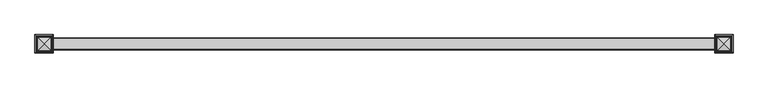
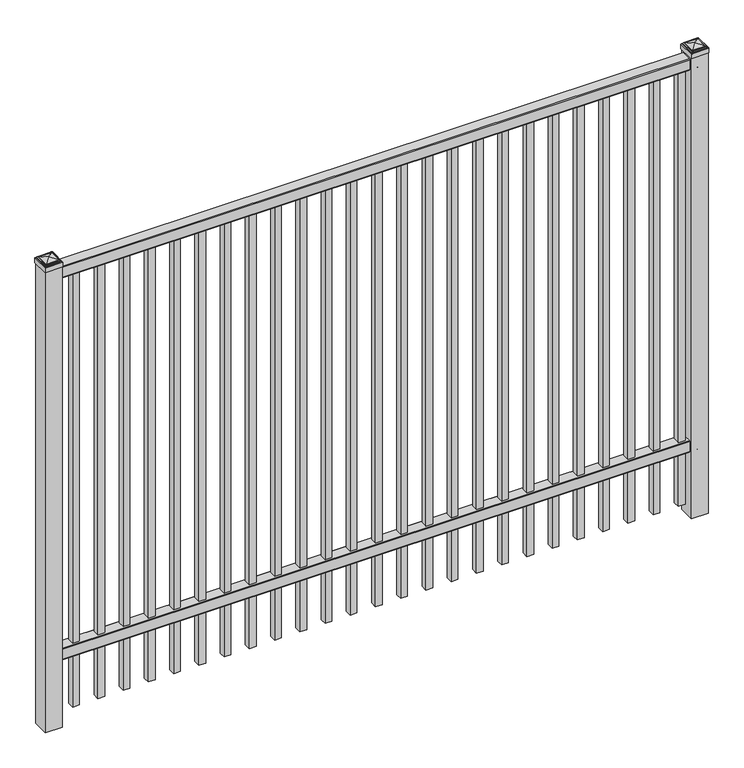
"""IFC4 building model written with IfcOpenShell, lengths in millimetres: railing geometry."""

from ifc_helpers import new_model, si_unit, point, frame, frame_2d, origin, origin_with_axes, place, context, project, spatial, polyline, circle_curve, ellipse_curve, trimmed, segment, composite_curve, outline, extrude, source, transform, mapped, element, save
from ifc_brep_helpers import plane_surface, cylinder_surface, advanced_brep


def railing_6af04cbe(model_context):
    return source(origin(), model_context, "Body", "SolidModel", [
        extrude(outline(composite_curve([segment(polyline([(10349.9139761, 304.8), (10387.969541, 304.8)]), True, "CONTINUOUS"), segment(trimmed(circle_curve(frame_2d((10387.969541, 301.625)), 3.175), [point((10387.969541, 304.8))], [point((10391.144541, 301.625))], False, "CARTESIAN"), True, "CONTINUOUS"), segment(polyline([(10391.144541, 301.625), (10391.144541, 262.1439893)]), True, "CONTINUOUS"), segment(trimmed(circle_curve(frame_2d((10389.3505518, 262.1439893)), 1.7939893), [point((10391.144541, 262.1439893))], [point((10389.3505518, 260.35))], False, "CARTESIAN"), True, "CONTINUOUS"), segment(polyline([(10389.3505518, 260.35), (10386.7590713, 260.35)]), True, "CONTINUOUS"), segment(trimmed(circle_curve(frame_2d((10386.7590713, 262.1359375)), 1.7859375), [point((10386.7590713, 260.35))], [point((10384.9755813, 262.0424688))], False, "CARTESIAN"), True, "CONTINUOUS"), segment(polyline([(10384.9755813, 262.0424688), (10383.4025867, 292.0569942), (10354.4364954, 292.0569942), (10352.8635007, 262.0424688)]), True, "CONTINUOUS"), segment(trimmed(circle_curve(frame_2d((10351.0800108, 262.1359375)), 1.7859375), [point((10352.8635007, 262.0424688))], [point((10351.0800108, 260.35))], False, "CARTESIAN"), True, "CONTINUOUS"), segment(polyline([(10351.0800108, 260.35), (10348.4804785, 260.35)]), True, "CONTINUOUS"), segment(trimmed(circle_curve(frame_2d((10348.4804785, 262.1359375)), 1.7859375), [point((10348.4804785, 260.35))], [point((10346.694541, 262.1359375))], False, "CARTESIAN"), True, "CONTINUOUS"), segment(polyline([(10346.694541, 262.1359375), (10346.694541, 301.5805649)]), True, "CONTINUOUS"), segment(trimmed(circle_curve(frame_2d((10349.9139761, 301.5805649)), 3.2194351), [point((10346.694541, 301.5805649))], [point((10349.9139761, 304.8))], False, "CARTESIAN"), True, "CONTINUOUS")], self_intersect=False)), frame((-15337.0649936, 0.0, 0.0), z_axis=(1.0, 0.0, 0.0), x_axis=(0.0, 1.0, 0.0)), (0.0, 0.0, 1.0), 2438.4),
        extrude(outline(composite_curve([segment(polyline([(10349.9139761, 1828.8), (10387.969541, 1828.8)]), True, "CONTINUOUS"), segment(trimmed(circle_curve(frame_2d((10387.969541, 1825.625)), 3.175), [point((10387.969541, 1828.8))], [point((10391.144541, 1825.625))], False, "CARTESIAN"), True, "CONTINUOUS"), segment(polyline([(10391.144541, 1825.625), (10391.144541, 1786.1439893)]), True, "CONTINUOUS"), segment(trimmed(circle_curve(frame_2d((10389.3505518, 1786.1439893)), 1.7939893), [point((10391.144541, 1786.1439893))], [point((10389.3505518, 1784.35))], False, "CARTESIAN"), True, "CONTINUOUS"), segment(polyline([(10389.3505518, 1784.35), (10386.7590713, 1784.35)]), True, "CONTINUOUS"), segment(trimmed(circle_curve(frame_2d((10386.7590713, 1786.1359375)), 1.7859375), [point((10386.7590713, 1784.35))], [point((10384.9755813, 1786.0424688))], False, "CARTESIAN"), True, "CONTINUOUS"), segment(polyline([(10384.9755813, 1786.0424688), (10383.4025867, 1816.0569942), (10354.4364954, 1816.0569942), (10352.8635007, 1786.0424688)]), True, "CONTINUOUS"), segment(trimmed(circle_curve(frame_2d((10351.0800108, 1786.1359375)), 1.7859375), [point((10352.8635007, 1786.0424688))], [point((10351.0800108, 1784.35))], False, "CARTESIAN"), True, "CONTINUOUS"), segment(polyline([(10351.0800108, 1784.35), (10348.4804785, 1784.35)]), True, "CONTINUOUS"), segment(trimmed(circle_curve(frame_2d((10348.4804785, 1786.1359375)), 1.7859375), [point((10348.4804785, 1784.35))], [point((10346.694541, 1786.1359375))], False, "CARTESIAN"), True, "CONTINUOUS"), segment(polyline([(10346.694541, 1786.1359375), (10346.694541, 1825.5805649)]), True, "CONTINUOUS"), segment(trimmed(circle_curve(frame_2d((10349.9139761, 1825.5805649)), 3.2194351), [point((10346.694541, 1825.5805649))], [point((10349.9139761, 1828.8))], False, "CARTESIAN"), True, "CONTINUOUS")], self_intersect=False)), frame((-15337.0649936, 0.0, 0.0), z_axis=(1.0, 0.0, 0.0), x_axis=(0.0, 1.0, 0.0)), (0.0, 0.0, 1.0), 2438.4),
        extrude(outline(polyline([(0.0, -1733.55), (0.0, 0.0), (25.4, 0.0), (25.4, -1733.55), (0.0, -1733.55)])), frame((-12943.1149864, 10381.619541, 1784.35), z_axis=(-1.0, 0.0, 2.3937232806415307e-09), x_axis=(0.0, -1.0, 0.0)), (0.0, 0.0, 1.0), 25.4),
        extrude(outline(polyline([(0.0, -1733.55), (0.0, 0.0), (25.4, 0.0), (25.4, -1733.55), (0.0, -1733.55)])), frame((-13038.3649864, 10381.619541, 1784.35), z_axis=(-1.0, 0.0, 2.3937232806415307e-09), x_axis=(0.0, -1.0, 0.0)), (0.0, 0.0, 1.0), 25.4),
        extrude(outline(polyline([(0.0, -1733.55), (0.0, 0.0), (25.4, 0.0), (25.4, -1733.55), (0.0, -1733.55)])), frame((-13133.6149864, 10381.619541, 1784.35), z_axis=(-1.0, 0.0, 2.3937232806415307e-09), x_axis=(0.0, -1.0, 0.0)), (0.0, 0.0, 1.0), 25.4),
        extrude(outline(polyline([(0.0, -1733.55), (0.0, 0.0), (25.4, 0.0), (25.4, -1733.55), (0.0, -1733.55)])), frame((-13228.8649864, 10381.619541, 1784.35), z_axis=(-1.0, 0.0, 2.3937232806415307e-09), x_axis=(0.0, -1.0, 0.0)), (0.0, 0.0, 1.0), 25.4),
        extrude(outline(polyline([(0.0, -1733.55), (0.0, 0.0), (25.4, 0.0), (25.4, -1733.55), (0.0, -1733.55)])), frame((-13324.1149864, 10381.619541, 1784.35), z_axis=(-1.0, 0.0, 2.3937232806415307e-09), x_axis=(0.0, -1.0, 0.0)), (0.0, 0.0, 1.0), 25.4),
        extrude(outline(polyline([(0.0, -1733.55), (0.0, 0.0), (25.4, 0.0), (25.4, -1733.55), (0.0, -1733.55)])), frame((-13419.3649864, 10381.619541, 1784.35), z_axis=(-1.0, 0.0, 2.3937232806415307e-09), x_axis=(0.0, -1.0, 0.0)), (0.0, 0.0, 1.0), 25.4),
        extrude(outline(polyline([(0.0, -1733.55), (0.0, 0.0), (25.4, 0.0), (25.4, -1733.55), (0.0, -1733.55)])), frame((-13514.6149864, 10381.619541, 1784.35), z_axis=(-1.0, 0.0, 2.3937232806415307e-09), x_axis=(0.0, -1.0, 0.0)), (0.0, 0.0, 1.0), 25.4),
        extrude(outline(polyline([(0.0, -1733.55), (0.0, 0.0), (25.4, 0.0), (25.4, -1733.55), (0.0, -1733.55)])), frame((-13609.8649864, 10381.619541, 1784.35), z_axis=(-1.0, 0.0, 2.3937232806415307e-09), x_axis=(0.0, -1.0, 0.0)), (0.0, 0.0, 1.0), 25.4),
        extrude(outline(polyline([(0.0, -1733.55), (0.0, 0.0), (25.4, 0.0), (25.4, -1733.55), (0.0, -1733.55)])), frame((-13705.1149864, 10381.619541, 1784.35), z_axis=(-1.0, 0.0, 2.3937232806415307e-09), x_axis=(0.0, -1.0, 0.0)), (0.0, 0.0, 1.0), 25.4),
        extrude(outline(polyline([(0.0, -1733.55), (0.0, 0.0), (25.4, 0.0), (25.4, -1733.55), (0.0, -1733.55)])), frame((-13800.3649864, 10381.619541, 1784.35), z_axis=(-1.0, 0.0, 2.3937232806415307e-09), x_axis=(0.0, -1.0, 0.0)), (0.0, 0.0, 1.0), 25.4),
        extrude(outline(polyline([(0.0, -1733.55), (0.0, 0.0), (25.4, 0.0), (25.4, -1733.55), (0.0, -1733.55)])), frame((-13895.6149864, 10381.619541, 1784.35), z_axis=(-1.0, 0.0, 2.3937232806415307e-09), x_axis=(0.0, -1.0, 0.0)), (0.0, 0.0, 1.0), 25.4),
        extrude(outline(polyline([(0.0, -1733.55), (0.0, 0.0), (25.4, 0.0), (25.4, -1733.55), (0.0, -1733.55)])), frame((-13990.8649864, 10381.619541, 1784.35), z_axis=(-1.0, 0.0, 2.3937232806415307e-09), x_axis=(0.0, -1.0, 0.0)), (0.0, 0.0, 1.0), 25.4),
        extrude(outline(polyline([(0.0, -1733.55), (0.0, 0.0), (25.4, 0.0), (25.4, -1733.55), (0.0, -1733.55)])), frame((-14086.1149864, 10381.619541, 1784.35), z_axis=(-1.0, 0.0, 2.3937232806415307e-09), x_axis=(0.0, -1.0, 0.0)), (0.0, 0.0, 1.0), 25.4),
        extrude(outline(polyline([(0.0, -1733.55), (0.0, 0.0), (25.4, 0.0), (25.4, -1733.55), (0.0, -1733.55)])), frame((-14181.3649864, 10381.619541, 1784.35), z_axis=(-1.0, 0.0, 2.3937232806415307e-09), x_axis=(0.0, -1.0, 0.0)), (0.0, 0.0, 1.0), 25.4),
        extrude(outline(polyline([(0.0, -1733.55), (0.0, 0.0), (25.4, 0.0), (25.4, -1733.55), (0.0, -1733.55)])), frame((-14276.6149864, 10381.619541, 1784.35), z_axis=(-1.0, 0.0, 2.3937232806415307e-09), x_axis=(0.0, -1.0, 0.0)), (0.0, 0.0, 1.0), 25.4),
        extrude(outline(polyline([(0.0, -1733.55), (0.0, 0.0), (25.4, 0.0), (25.4, -1733.55), (0.0, -1733.55)])), frame((-14371.8649864, 10381.619541, 1784.35), z_axis=(-1.0, 0.0, 2.3937232806415307e-09), x_axis=(0.0, -1.0, 0.0)), (0.0, 0.0, 1.0), 25.4),
        extrude(outline(polyline([(0.0, -1733.55), (0.0, 0.0), (25.4, 0.0), (25.4, -1733.55), (0.0, -1733.55)])), frame((-14467.1149864, 10381.619541, 1784.35), z_axis=(-1.0, 0.0, 2.3937232806415307e-09), x_axis=(0.0, -1.0, 0.0)), (0.0, 0.0, 1.0), 25.4),
        extrude(outline(polyline([(0.0, -1733.55), (0.0, 0.0), (25.4, 0.0), (25.4, -1733.55), (0.0, -1733.55)])), frame((-14562.3649864, 10381.619541, 1784.35), z_axis=(-1.0, 0.0, 2.3937232806415307e-09), x_axis=(0.0, -1.0, 0.0)), (0.0, 0.0, 1.0), 25.4),
        extrude(outline(polyline([(0.0, -1733.55), (0.0, 0.0), (25.4, 0.0), (25.4, -1733.55), (0.0, -1733.55)])), frame((-14657.6149864, 10381.619541, 1784.35), z_axis=(-1.0, 0.0, 2.3937232806415307e-09), x_axis=(0.0, -1.0, 0.0)), (0.0, 0.0, 1.0), 25.4),
        extrude(outline(polyline([(0.0, -1733.55), (0.0, 0.0), (25.4, 0.0), (25.4, -1733.55), (0.0, -1733.55)])), frame((-14752.8649864, 10381.619541, 1784.35), z_axis=(-1.0, 0.0, 2.3937232806415307e-09), x_axis=(0.0, -1.0, 0.0)), (0.0, 0.0, 1.0), 25.4),
        extrude(outline(polyline([(0.0, -1733.55), (0.0, 0.0), (25.4, 0.0), (25.4, -1733.55), (0.0, -1733.55)])), frame((-14848.1149864, 10381.619541, 1784.35), z_axis=(-1.0, 0.0, 2.3937232806415307e-09), x_axis=(0.0, -1.0, 0.0)), (0.0, 0.0, 1.0), 25.4),
        extrude(outline(polyline([(0.0, -1733.55), (0.0, 0.0), (25.4, 0.0), (25.4, -1733.55), (0.0, -1733.55)])), frame((-14943.3649864, 10381.619541, 1784.35), z_axis=(-1.0, 0.0, 2.3937232806415307e-09), x_axis=(0.0, -1.0, 0.0)), (0.0, 0.0, 1.0), 25.4),
        extrude(outline(polyline([(0.0, -1733.55), (0.0, 0.0), (25.4, 0.0), (25.4, -1733.55), (0.0, -1733.55)])), frame((-15038.6149864, 10381.619541, 1784.35), z_axis=(-1.0, 0.0, 2.3937232806415307e-09), x_axis=(0.0, -1.0, 0.0)), (0.0, 0.0, 1.0), 25.4),
        extrude(outline(polyline([(0.0, -1733.55), (0.0, 0.0), (25.4, 0.0), (25.4, -1733.55), (0.0, -1733.55)])), frame((-15133.8649864, 10381.619541, 1784.35), z_axis=(-1.0, 0.0, 2.3937232806415307e-09), x_axis=(0.0, -1.0, 0.0)), (0.0, 0.0, 1.0), 25.4),
        extrude(outline(polyline([(0.0, -1733.55), (0.0, 0.0), (25.4, 0.0), (25.4, -1733.55), (0.0, -1733.55)])), frame((-15229.1149864, 10381.619541, 1784.35), z_axis=(-1.0, 0.0, 2.3937232806415307e-09), x_axis=(0.0, -1.0, 0.0)), (0.0, 0.0, 1.0), 25.4),
        extrude(outline(polyline([(-12866.9149936, 10400.669541), (-12866.9149936, 10337.169541), (-12930.4149936, 10337.169541), (-12930.4149936, 10400.669541), (-12866.9149936, 10400.669541)])), origin_with_axes(), (0.0, 0.0, 1.0), 1836.7375),
        advanced_brep(
        [(-12932.0024936, 10402.257041, 1854.99375), (-12932.0024936, 10402.257041, 1836.7375), (-12932.0024936, 10335.582041, 1836.7375), (-12932.0024936, 10335.582041, 1854.99375), (-12929.6212436, 10399.875791, 1857.375), (-12929.6212436, 10337.963291, 1857.375), (-12927.2399936, 10397.494541, 1859.75625), (-12927.2399936, 10397.494541, 1857.375), (-12927.2399936, 10340.344541, 1857.375), (-12927.2399936, 10340.344541, 1859.75625), (-12924.8587436, 10395.113291, 1862.1375), (-12924.8587436, 10342.725791, 1862.1375), (-12898.6649936, 10368.919541, 1868.4875), (-12922.4774936, 10392.732041, 1862.1375), (-12922.4774936, 10345.107041, 1862.1375), (-12865.3274936, 10335.582041, 1836.7375), (-12865.3274936, 10335.582041, 1854.99375), (-12867.7087436, 10337.963291, 1857.375), (-12870.0899936, 10340.344541, 1857.375), (-12870.0899936, 10340.344541, 1859.75625), (-12872.4712436, 10342.725791, 1862.1375), (-12874.8524936, 10345.107041, 1862.1375), (-12865.3274936, 10402.257041, 1836.7375), (-12865.3274936, 10402.257041, 1854.99375), (-12867.7087436, 10399.875791, 1857.375), (-12870.0899936, 10397.494541, 1857.375), (-12870.0899936, 10397.494541, 1859.75625), (-12872.4712436, 10395.113291, 1862.1375), (-12874.8524936, 10392.732041, 1862.1375)],
        [
            (0, 1),
            (1, 2),
            (2, 3),
            (3, 0),
            (4, 0, ellipse_curve(frame((-12929.6212436, 10399.875791, 1854.99375), z_axis=(-0.70710678118655, -0.7071067811865449, 0.0), x_axis=(-0.7071067811865448, 0.7071067811865501, 0.0)), 3.367596, 2.38125)),
            (3, 5, ellipse_curve(frame((-12929.6212436, 10337.963291, 1854.99375), z_axis=(-0.7071067811865449, 0.70710678118655, 0.0), x_axis=(0.7071067811865499, 0.707106781186545, 0.0)), 3.367596, 2.38125)),
            (5, 4),
            (6, 7),
            (7, 8),
            (8, 9),
            (9, 6),
            (10, 6, ellipse_curve(frame((-12924.8587436, 10395.113291, 1859.75625), z_axis=(-0.70710678118655, -0.7071067811865449, 0.0), x_axis=(-0.7071067811865448, 0.7071067811865501, 0.0)), 3.367596, 2.38125)),
            (9, 11, ellipse_curve(frame((-12924.8587436, 10342.725791, 1859.75625), z_axis=(-0.7071067811865449, 0.70710678118655, 0.0), x_axis=(0.7071067811865499, 0.707106781186545, 0.0)), 3.367596, 2.38125)),
            (11, 10),
            (12, 13, ellipse_curve(frame((-12898.6649936, 10368.919541, 1820.6640625), z_axis=(-0.70710678118655, -0.7071067811865449, 0.0), x_axis=(-0.7071067811865448, 0.7071067811865501, 0.0)), 67.6325539, 47.8234375)),
            (13, 14),
            (14, 12, ellipse_curve(frame((-12898.6649936, 10368.919541, 1820.6640625), z_axis=(-0.7071067811865449, 0.70710678118655, 0.0), x_axis=(0.7071067811865499, 0.707106781186545, 0.0)), 67.6325539, 47.8234375)),
            (2, 15),
            (15, 16),
            (16, 3),
            (16, 17, ellipse_curve(frame((-12867.7087436, 10337.963291, 1854.99375), z_axis=(-0.70710678118655, -0.707106781186545, 0.0), x_axis=(-0.707106781186545, 0.70710678118655, 0.0)), 3.367596, 2.38125)),
            (17, 5),
            (8, 18),
            (18, 19),
            (19, 9),
            (19, 20, ellipse_curve(frame((-12872.4712436, 10342.725791, 1859.75625), z_axis=(-0.70710678118655, -0.707106781186545, 0.0), x_axis=(-0.707106781186545, 0.70710678118655, 0.0)), 3.367596, 2.38125)),
            (20, 11),
            (14, 21),
            (21, 12, ellipse_curve(frame((-12898.6649936, 10368.919541, 1820.6640625), z_axis=(-0.70710678118655, -0.707106781186545, 0.0), x_axis=(-0.707106781186545, 0.70710678118655, 0.0)), 67.6325539, 47.8234375)),
            (15, 22),
            (22, 23),
            (23, 16),
            (23, 24, ellipse_curve(frame((-12867.7087436, 10399.875791, 1854.99375), z_axis=(0.707106781186545, -0.7071067811865499, 0.0), x_axis=(-0.7071067811865497, -0.7071067811865452, 0.0)), 3.367596, 2.38125)),
            (24, 17),
            (18, 25),
            (25, 26),
            (26, 19),
            (26, 27, ellipse_curve(frame((-12872.4712436, 10395.113291, 1859.75625), z_axis=(0.707106781186545, -0.7071067811865499, 0.0), x_axis=(-0.7071067811865497, -0.7071067811865452, 0.0)), 3.367596, 2.38125)),
            (27, 20),
            (21, 28),
            (28, 12, ellipse_curve(frame((-12898.6649936, 10368.919541, 1820.6640625), z_axis=(0.707106781186545, -0.7071067811865499, 0.0), x_axis=(-0.7071067811865497, -0.7071067811865452, 0.0)), 67.6325539, 47.8234375)),
            (22, 1),
            (0, 23),
            (4, 24),
            (7, 25),
            (6, 26),
            (10, 27),
            (13, 28),
        ],
        [
            plane_surface(frame((-12932.0024936, 10402.257041, 1836.7375), z_axis=(-1.0, 0.0, 0.0), x_axis=(0.0, -1.0, 0.0))),
            cylinder_surface(frame((-12929.6212436, 10400.669541, 1854.99375), z_axis=(0.0, 1.0, 0.0), x_axis=(1.0, 0.0, 0.0)), 2.38125),
            plane_surface(frame((-12927.2399936, 10397.494541, 1857.375), z_axis=(-1.0, 0.0, 0.0), x_axis=(0.0, -1.0, 0.0))),
            cylinder_surface(frame((-12924.8587436, 10400.669541, 1859.75625), z_axis=(0.0, 1.0, 0.0), x_axis=(1.0, 0.0, 0.0)), 2.38125),
            cylinder_surface(frame((-12898.6649936, 10400.669541, 1820.6640625), z_axis=(0.0, 1.0, 0.0), x_axis=(1.0, 0.0, 0.0)), 47.8234375),
            plane_surface(frame((-12932.0024936, 10335.582041, 1836.7375), z_axis=(0.0, -1.0, 0.0), x_axis=(1.0, 0.0, 0.0))),
            cylinder_surface(frame((-12930.4149936, 10337.963291, 1854.99375), z_axis=(-1.0, 0.0, 0.0), x_axis=(0.0, 1.0, 0.0)), 2.38125),
            plane_surface(frame((-12927.2399936, 10340.344541, 1857.375), z_axis=(0.0, -1.0, 0.0), x_axis=(1.0, 0.0, 0.0))),
            cylinder_surface(frame((-12930.4149936, 10342.725791, 1859.75625), z_axis=(-1.0, 0.0, 0.0), x_axis=(0.0, 1.0, 0.0)), 2.38125),
            cylinder_surface(frame((-12930.4149936, 10368.919541, 1820.6640625), z_axis=(-1.0, 0.0, 0.0), x_axis=(0.0, 1.0, 0.0)), 47.8234375),
            plane_surface(frame((-12865.3274936, 10335.582041, 1836.7375), z_axis=(1.0, 0.0, 0.0), x_axis=(0.0, 1.0, 0.0))),
            cylinder_surface(frame((-12867.7087436, 10337.169541, 1854.99375), z_axis=(0.0, -1.0, 0.0), x_axis=(-1.0, 0.0, 0.0)), 2.38125),
            plane_surface(frame((-12870.0899936, 10340.344541, 1857.375), z_axis=(1.0, 0.0, 0.0), x_axis=(0.0, 1.0, 0.0))),
            cylinder_surface(frame((-12872.4712436, 10337.169541, 1859.75625), z_axis=(0.0, -1.0, 0.0), x_axis=(-1.0, 0.0, 0.0)), 2.38125),
            cylinder_surface(frame((-12898.6649936, 10337.169541, 1820.6640625), z_axis=(0.0, -1.0, 0.0), x_axis=(-1.0, 0.0, 0.0)), 47.8234375),
            plane_surface(frame((-12865.3274936, 10402.257041, 1836.7375), z_axis=(0.0, 1.0, 0.0), x_axis=(-1.0, 0.0, 0.0))),
            cylinder_surface(frame((-12866.9149936, 10399.875791, 1854.99375), z_axis=(1.0, 0.0, 0.0), x_axis=(0.0, -1.0, 0.0)), 2.38125),
            plane_surface(frame((-12867.7087436, 10399.875791, 1857.375), z_axis=(0.0, 0.0, 1.0), x_axis=(-1.0, 0.0, 0.0))),
            plane_surface(frame((-12870.0899936, 10397.494541, 1857.375), z_axis=(0.0, 1.0, 0.0), x_axis=(-1.0, 0.0, 0.0))),
            cylinder_surface(frame((-12866.9149936, 10395.113291, 1859.75625), z_axis=(1.0, 0.0, 0.0), x_axis=(0.0, -1.0, 0.0)), 2.38125),
            plane_surface(frame((-12872.4712436, 10395.113291, 1862.1375), z_axis=(0.0, 0.0, 1.0), x_axis=(-1.0, 0.0, 0.0))),
            cylinder_surface(frame((-12866.9149936, 10368.919541, 1820.6640625), z_axis=(1.0, 0.0, 0.0), x_axis=(0.0, -1.0, 0.0)), 47.8234375),
            plane_surface(frame((-12898.6649936, 10368.919541, 1836.7375), z_axis=(0.0, 0.0, -1.0), x_axis=(-1.0, 0.0, 0.0))),
        ],
        [
            (0, [[1, 2, 3, 4]]),
            (1, [[5, -4, 6, 7]]),
            (2, [[8, 9, 10, 11]]),
            (3, [[12, -11, 13, 14]]),
            (4, [[15, 16, 17]]),
            (5, [[-3, 18, 19, 20]]),
            (6, [[-6, -20, 21, 22]]),
            (7, [[-10, 23, 24, 25]]),
            (8, [[-13, -25, 26, 27]]),
            (9, [[-17, 28, 29]]),
            (10, [[-19, 30, 31, 32]]),
            (11, [[-21, -32, 33, 34]]),
            (12, [[-24, 35, 36, 37]]),
            (13, [[-26, -37, 38, 39]]),
            (14, [[-29, 40, 41]]),
            (15, [[-31, 42, -1, 43]]),
            (16, [[-33, -43, -5, 44]]),
            (17, [[-22, -34, -44, -7], [45, -35, -23, -9]]),
            (18, [[-36, -45, -8, 46]]),
            (19, [[-38, -46, -12, 47]]),
            (20, [[-27, -39, -47, -14], [48, -40, -28, -16]]),
            (21, [[-41, -48, -15]]),
            (22, [[-42, -30, -18, -2]]),
        ],
    ),
        extrude(outline(polyline([(-15305.3149936, 10400.669541), (-15305.3149936, 10337.169541), (-15368.8149936, 10337.169541), (-15368.8149936, 10400.669541), (-15305.3149936, 10400.669541)])), origin_with_axes(), (0.0, 0.0, 1.0), 1836.7375),
        advanced_brep(
        [(-15370.4024936, 10402.257041, 1854.99375), (-15370.4024936, 10402.257041, 1836.7375), (-15370.4024936, 10335.582041, 1836.7375), (-15370.4024936, 10335.582041, 1854.99375), (-15368.0212436, 10399.875791, 1857.375), (-15368.0212436, 10337.963291, 1857.375), (-15365.6399936, 10397.494541, 1859.75625), (-15365.6399936, 10397.494541, 1857.375), (-15365.6399936, 10340.344541, 1857.375), (-15365.6399936, 10340.344541, 1859.75625), (-15363.2587436, 10395.113291, 1862.1375), (-15363.2587436, 10342.725791, 1862.1375), (-15337.0649936, 10368.919541, 1868.4875), (-15360.8774936, 10392.732041, 1862.1375), (-15360.8774936, 10345.107041, 1862.1375), (-15303.7274936, 10335.582041, 1836.7375), (-15303.7274936, 10335.582041, 1854.99375), (-15306.1087436, 10337.963291, 1857.375), (-15308.4899936, 10340.344541, 1857.375), (-15308.4899936, 10340.344541, 1859.75625), (-15310.8712436, 10342.725791, 1862.1375), (-15313.2524936, 10345.107041, 1862.1375), (-15303.7274936, 10402.257041, 1836.7375), (-15303.7274936, 10402.257041, 1854.99375), (-15306.1087436, 10399.875791, 1857.375), (-15308.4899936, 10397.494541, 1857.375), (-15308.4899936, 10397.494541, 1859.75625), (-15310.8712436, 10395.113291, 1862.1375), (-15313.2524936, 10392.732041, 1862.1375)],
        [
            (0, 1),
            (1, 2),
            (2, 3),
            (3, 0),
            (4, 0, ellipse_curve(frame((-15368.0212436, 10399.875791, 1854.99375), z_axis=(-0.70710678118655, -0.7071067811865449, 0.0), x_axis=(-0.7071067811865448, 0.7071067811865501, 0.0)), 3.367596, 2.38125)),
            (3, 5, ellipse_curve(frame((-15368.0212436, 10337.963291, 1854.99375), z_axis=(-0.7071067811865449, 0.70710678118655, 0.0), x_axis=(0.7071067811865499, 0.707106781186545, 0.0)), 3.367596, 2.38125)),
            (5, 4),
            (6, 7),
            (7, 8),
            (8, 9),
            (9, 6),
            (10, 6, ellipse_curve(frame((-15363.2587436, 10395.113291, 1859.75625), z_axis=(-0.70710678118655, -0.7071067811865449, 0.0), x_axis=(-0.7071067811865448, 0.7071067811865501, 0.0)), 3.367596, 2.38125)),
            (9, 11, ellipse_curve(frame((-15363.2587436, 10342.725791, 1859.75625), z_axis=(-0.7071067811865449, 0.70710678118655, 0.0), x_axis=(0.7071067811865499, 0.707106781186545, 0.0)), 3.367596, 2.38125)),
            (11, 10),
            (12, 13, ellipse_curve(frame((-15337.0649936, 10368.919541, 1820.6640625), z_axis=(-0.70710678118655, -0.7071067811865449, 0.0), x_axis=(-0.7071067811865448, 0.7071067811865501, 0.0)), 67.6325539, 47.8234375)),
            (13, 14),
            (14, 12, ellipse_curve(frame((-15337.0649936, 10368.919541, 1820.6640625), z_axis=(-0.7071067811865449, 0.70710678118655, 0.0), x_axis=(0.7071067811865499, 0.707106781186545, 0.0)), 67.6325539, 47.8234375)),
            (2, 15),
            (15, 16),
            (16, 3),
            (16, 17, ellipse_curve(frame((-15306.1087436, 10337.963291, 1854.99375), z_axis=(-0.70710678118655, -0.707106781186545, 0.0), x_axis=(-0.707106781186545, 0.70710678118655, 0.0)), 3.367596, 2.38125)),
            (17, 5),
            (8, 18),
            (18, 19),
            (19, 9),
            (19, 20, ellipse_curve(frame((-15310.8712436, 10342.725791, 1859.75625), z_axis=(-0.70710678118655, -0.707106781186545, 0.0), x_axis=(-0.707106781186545, 0.70710678118655, 0.0)), 3.367596, 2.38125)),
            (20, 11),
            (14, 21),
            (21, 12, ellipse_curve(frame((-15337.0649936, 10368.919541, 1820.6640625), z_axis=(-0.70710678118655, -0.707106781186545, 0.0), x_axis=(-0.707106781186545, 0.70710678118655, 0.0)), 67.6325539, 47.8234375)),
            (15, 22),
            (22, 23),
            (23, 16),
            (23, 24, ellipse_curve(frame((-15306.1087436, 10399.875791, 1854.99375), z_axis=(0.707106781186545, -0.7071067811865499, 0.0), x_axis=(-0.7071067811865497, -0.7071067811865452, 0.0)), 3.367596, 2.38125)),
            (24, 17),
            (18, 25),
            (25, 26),
            (26, 19),
            (26, 27, ellipse_curve(frame((-15310.8712436, 10395.113291, 1859.75625), z_axis=(0.707106781186545, -0.7071067811865499, 0.0), x_axis=(-0.7071067811865497, -0.7071067811865452, 0.0)), 3.367596, 2.38125)),
            (27, 20),
            (21, 28),
            (28, 12, ellipse_curve(frame((-15337.0649936, 10368.919541, 1820.6640625), z_axis=(0.707106781186545, -0.7071067811865499, 0.0), x_axis=(-0.7071067811865497, -0.7071067811865452, 0.0)), 67.6325539, 47.8234375)),
            (22, 1),
            (0, 23),
            (4, 24),
            (7, 25),
            (6, 26),
            (10, 27),
            (13, 28),
        ],
        [
            plane_surface(frame((-15370.4024936, 10402.257041, 1836.7375), z_axis=(-1.0, 0.0, 0.0), x_axis=(0.0, -1.0, 0.0))),
            cylinder_surface(frame((-15368.0212436, 10400.669541, 1854.99375), z_axis=(0.0, 1.0, 0.0), x_axis=(1.0, 0.0, 0.0)), 2.38125),
            plane_surface(frame((-15365.6399936, 10397.494541, 1857.375), z_axis=(-1.0, 0.0, 0.0), x_axis=(0.0, -1.0, 0.0))),
            cylinder_surface(frame((-15363.2587436, 10400.669541, 1859.75625), z_axis=(0.0, 1.0, 0.0), x_axis=(1.0, 0.0, 0.0)), 2.38125),
            cylinder_surface(frame((-15337.0649936, 10400.669541, 1820.6640625), z_axis=(0.0, 1.0, 0.0), x_axis=(1.0, 0.0, 0.0)), 47.8234375),
            plane_surface(frame((-15370.4024936, 10335.582041, 1836.7375), z_axis=(0.0, -1.0, 0.0), x_axis=(1.0, 0.0, 0.0))),
            cylinder_surface(frame((-15368.8149936, 10337.963291, 1854.99375), z_axis=(-1.0, 0.0, 0.0), x_axis=(0.0, 1.0, 0.0)), 2.38125),
            plane_surface(frame((-15365.6399936, 10340.344541, 1857.375), z_axis=(0.0, -1.0, 0.0), x_axis=(1.0, 0.0, 0.0))),
            cylinder_surface(frame((-15368.8149936, 10342.725791, 1859.75625), z_axis=(-1.0, 0.0, 0.0), x_axis=(0.0, 1.0, 0.0)), 2.38125),
            cylinder_surface(frame((-15368.8149936, 10368.919541, 1820.6640625), z_axis=(-1.0, 0.0, 0.0), x_axis=(0.0, 1.0, 0.0)), 47.8234375),
            plane_surface(frame((-15303.7274936, 10335.582041, 1836.7375), z_axis=(1.0, 0.0, 0.0), x_axis=(0.0, 1.0, 0.0))),
            cylinder_surface(frame((-15306.1087436, 10337.169541, 1854.99375), z_axis=(0.0, -1.0, 0.0), x_axis=(-1.0, 0.0, 0.0)), 2.38125),
            plane_surface(frame((-15308.4899936, 10340.344541, 1857.375), z_axis=(1.0, 0.0, 0.0), x_axis=(0.0, 1.0, 0.0))),
            cylinder_surface(frame((-15310.8712436, 10337.169541, 1859.75625), z_axis=(0.0, -1.0, 0.0), x_axis=(-1.0, 0.0, 0.0)), 2.38125),
            cylinder_surface(frame((-15337.0649936, 10337.169541, 1820.6640625), z_axis=(0.0, -1.0, 0.0), x_axis=(-1.0, 0.0, 0.0)), 47.8234375),
            plane_surface(frame((-15303.7274936, 10402.257041, 1836.7375), z_axis=(0.0, 1.0, 0.0), x_axis=(-1.0, 0.0, 0.0))),
            cylinder_surface(frame((-15305.3149936, 10399.875791, 1854.99375), z_axis=(1.0, 0.0, 0.0), x_axis=(0.0, -1.0, 0.0)), 2.38125),
            plane_surface(frame((-15306.1087436, 10399.875791, 1857.375), z_axis=(0.0, 0.0, 1.0), x_axis=(-1.0, 0.0, 0.0))),
            plane_surface(frame((-15308.4899936, 10397.494541, 1857.375), z_axis=(0.0, 1.0, 0.0), x_axis=(-1.0, 0.0, 0.0))),
            cylinder_surface(frame((-15305.3149936, 10395.113291, 1859.75625), z_axis=(1.0, 0.0, 0.0), x_axis=(0.0, -1.0, 0.0)), 2.38125),
            plane_surface(frame((-15310.8712436, 10395.113291, 1862.1375), z_axis=(0.0, 0.0, 1.0), x_axis=(-1.0, 0.0, 0.0))),
            cylinder_surface(frame((-15305.3149936, 10368.919541, 1820.6640625), z_axis=(1.0, 0.0, 0.0), x_axis=(0.0, -1.0, 0.0)), 47.8234375),
            plane_surface(frame((-15337.0649936, 10368.919541, 1836.7375), z_axis=(0.0, 0.0, -1.0), x_axis=(-1.0, 0.0, 0.0))),
        ],
        [
            (0, [[1, 2, 3, 4]]),
            (1, [[5, -4, 6, 7]]),
            (2, [[8, 9, 10, 11]]),
            (3, [[12, -11, 13, 14]]),
            (4, [[15, 16, 17]]),
            (5, [[-3, 18, 19, 20]]),
            (6, [[-6, -20, 21, 22]]),
            (7, [[-10, 23, 24, 25]]),
            (8, [[-13, -25, 26, 27]]),
            (9, [[-17, 28, 29]]),
            (10, [[-19, 30, 31, 32]]),
            (11, [[-21, -32, 33, 34]]),
            (12, [[-24, 35, 36, 37]]),
            (13, [[-26, -37, 38, 39]]),
            (14, [[-29, 40, 41]]),
            (15, [[-31, 42, -1, 43]]),
            (16, [[-33, -43, -5, 44]]),
            (17, [[-22, -34, -44, -7], [45, -35, -23, -9]]),
            (18, [[-36, -45, -8, 46]]),
            (19, [[-38, -46, -12, 47]]),
            (20, [[-27, -39, -47, -14], [48, -40, -28, -16]]),
            (21, [[-41, -48, -15]]),
            (22, [[-42, -30, -18, -2]]),
        ],
    ),
    ])


if __name__ == "__main__":
    model = new_model("IFC4")
    model_context = context("Model", 3, world=origin())
    ifc_project = project(units=[si_unit("LENGTHUNIT", "METRE", prefix="MILLI")], contexts=[model_context])
    site = spatial("IfcSite", under=ifc_project)
    building = spatial("IfcBuilding", under=site)
    placement = place(None, origin())
    railing_shape = railing_6af04cbe(model_context)
    element("IfcRailing", 1, at=placement, inside=building, context=model_context, shape_type="MappedRepresentation", body=[
        mapped(railing_shape, transform((0.0, 0.0, 0.0), x_axis=(1.0, 0.0, 0.0), y_axis=(0.0, 1.0, 0.0), z_axis=(0.0, 0.0, 1.0))),
    ])
    save(model, "model.ifc")
